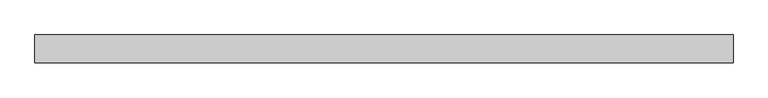
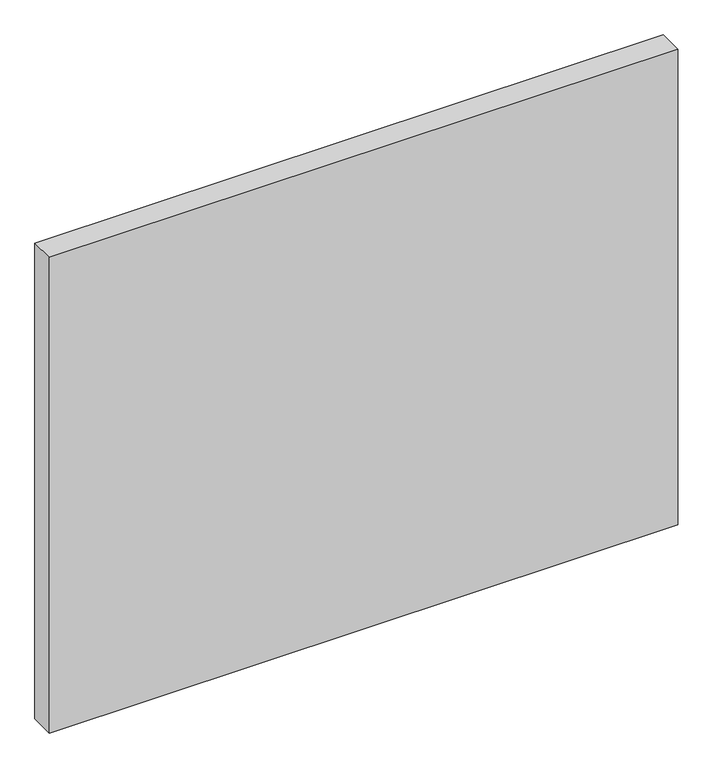
"""IFC4 building model written with IfcOpenShell, lengths in millimetres: proxy geometry."""

from ifc_helpers import new_model, si_unit, origin, origin_with_axes, place, context, project, spatial, polyline, outline, extrude, source, transform, mapped, element, save


def generic_models_89be8e14(model_context):
    return source(origin(), model_context, "Body", "SweptSolid", [
        extrude(outline(polyline([(5000.0, 200.0), (5000.0, 0.0), (0.0, 0.0), (0.0, 200.0), (5000.0, 200.0)])), origin_with_axes(), (0.0, 0.0, 1.0), 4000.0),
    ])


if __name__ == "__main__":
    model = new_model("IFC4")
    model_context = context("Model", 3, world=origin())
    ifc_project = project(units=[si_unit("LENGTHUNIT", "METRE", prefix="MILLI")], contexts=[model_context])
    site = spatial("IfcSite", under=ifc_project)
    building = spatial("IfcBuilding", under=site)
    placement = place(None, origin())
    generic_models_shape = generic_models_89be8e14(model_context)
    element("IfcBuildingElementProxy", 1, Name="Generic Models", at=placement, inside=building, context=model_context, shape_type="MappedRepresentation", body=[
        mapped(generic_models_shape, transform((0.0, 0.0, 0.0), x_axis=(1.0, 0.0, 0.0), y_axis=(0.0, 1.0, 0.0), z_axis=(0.0, 0.0, 1.0))),
    ])
    save(model, "model.ifc")
